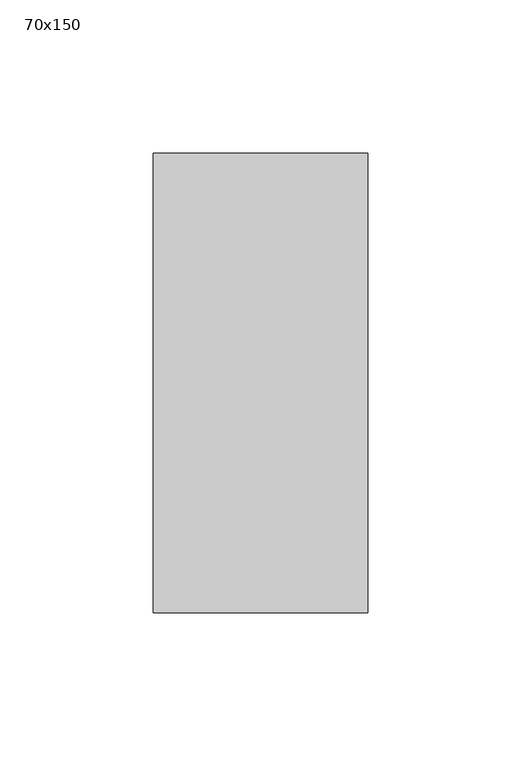
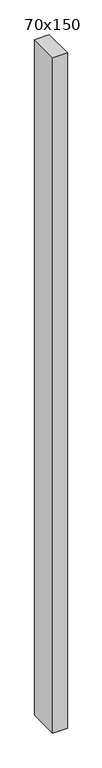
"""IFC4 building model written with IfcOpenShell, lengths in millimetres: member geometry, 70x150."""

import ifcopenshell
import ifcopenshell.guid

model = None  # the IFC model being written
_history = None  # IfcOwnerHistory: only IFC2X3 demands one
_inside = {}  # id of a spatial element -> (the spatial element, [elements in it])
_under = {}  # id of a project, library or spatial element -> (it, [spatial elements below it])
_declared = {}  # id of a project -> (the project, [libraries it declares])
_typed = {}  # id of a type object -> (the type object, [elements of that type])
_made_of = {}  # id of a material, layer set ... -> (it, [elements and type objects made of it])


def new_model(schema):
    """Start an empty IFC model of exactly this schema.

    Asked for "IFC4X3", IfcOpenShell would pick the latest addendum, in which some entities
    have other attributes; the version numbers below select the first issue.
    IFC2X3 requires an IfcOwnerHistory on every rooted entity: one is made here for all.
    """
    global model, _history
    if schema == "IFC4X3":
        model = ifcopenshell.file(schema_version=(4, 3, 0, 0))
    else:
        model = ifcopenshell.file(schema=schema)
    _inside.clear()
    _under.clear()
    _declared.clear()
    _typed.clear()
    _made_of.clear()
    _history = None
    if model.schema == "IFC2X3":
        org = make("IfcOrganization", Name="unknown")
        user = make(
            "IfcPersonAndOrganization",
            ThePerson=make("IfcPerson", FamilyName="unknown"),
            TheOrganization=org,
        )
        app = make(
            "IfcApplication",
            ApplicationDeveloper=org,
            Version="unknown",
            ApplicationFullName="unknown",
            ApplicationIdentifier="unknown",
        )
        _history = make(
            "IfcOwnerHistory",
            OwningUser=user,
            OwningApplication=app,
            ChangeAction="ADDED",
            CreationDate=0,
        )
    return model


def make(cls, **values):
    """One entity of the class cls with the attributes given. An attribute that is None is left unset."""
    return model.create_entity(
        cls, **{name: value for name, value in values.items() if value is not None}
    )


def rooted(cls, **values):
    """An entity with a GlobalId (a new one), such as an element, a storey or a relation."""
    return make(cls, GlobalId=ifcopenshell.guid.new(), OwnerHistory=_history, **values)


def si_unit(unit_type, name, prefix=None):
    """IfcSIUnit, for example si_unit("LENGTHUNIT", "METRE", prefix="MILLI")."""
    return make("IfcSIUnit", UnitType=unit_type, Prefix=prefix, Name=name)


def assignment(units):
    """IfcUnitAssignment: the units of a project."""
    return None if units is None else make("IfcUnitAssignment", Units=units)


def point(xyz):
    """IfcCartesianPoint."""
    return None if xyz is None else make("IfcCartesianPoint", Coordinates=xyz)


def direction(xyz):
    """IfcDirection."""
    return None if xyz is None else make("IfcDirection", DirectionRatios=xyz)


def frame(location, z_axis=None, x_axis=None):
    """IfcAxis2Placement3D, a coordinate frame: its origin and axes. An axis left out is left unset."""
    return make(
        "IfcAxis2Placement3D",
        Location=point(location),
        Axis=direction(z_axis),
        RefDirection=direction(x_axis),
    )


def origin():
    """The frame at (0, 0, 0) with its axes left unset."""
    return frame((0.0, 0.0, 0.0))


def place(relative_to, where):
    """IfcLocalPlacement: puts the frame where relative to a parent placement (None: the world)."""
    return make(
        "IfcLocalPlacement", PlacementRelTo=relative_to, RelativePlacement=where
    )


def context(
    kind, dimensions, precision=None, world=None, true_north=None, identifier=None
):
    """IfcGeometricRepresentationContext, for example the 3D "Model" context."""
    return make(
        "IfcGeometricRepresentationContext",
        ContextIdentifier=identifier,
        ContextType=kind,
        CoordinateSpaceDimension=dimensions,
        Precision=precision,
        WorldCoordinateSystem=world,
        TrueNorth=true_north,
    )


def project(units=None, contexts=None):
    """IfcProject with its units and contexts."""
    return rooted(
        "IfcProject",
        Name="project",
        RepresentationContexts=contexts,
        UnitsInContext=assignment(units),
    )


def spatial(cls, under=None, at=None, **own):
    """A site, building, storey or space (cls), placed at a placement, below another one or the project."""
    s = rooted(cls, ObjectPlacement=at, **own)
    if under is not None:
        _under.setdefault(under.id(), (under, []))[1].append(s)
    return s


def polyline(points):
    """IfcPolyline through the points."""
    return make("IfcPolyline", Points=[point(p) for p in points])


def outline(outer, holes=None, kind="AREA"):
    """IfcArbitraryClosedProfileDef: a profile drawn as a closed curve; with holes, ...WithVoids."""
    if holes is None:
        return make("IfcArbitraryClosedProfileDef", ProfileType=kind, OuterCurve=outer)
    return make(
        "IfcArbitraryProfileDefWithVoids",
        ProfileType=kind,
        OuterCurve=outer,
        InnerCurves=holes,
    )


def extrude(swept, where, along, depth):
    """IfcExtrudedAreaSolid: the profile swept, set in the frame where, extruded along a direction by depth."""
    return make(
        "IfcExtrudedAreaSolid",
        SweptArea=swept,
        Position=where,
        ExtrudedDirection=direction(along),
        Depth=depth,
    )


def shape(context_of_items, identifier, shape_type, items):
    """IfcShapeRepresentation: the items that make up one representation, for example the "Body"."""
    return make(
        "IfcShapeRepresentation",
        ContextOfItems=context_of_items,
        RepresentationIdentifier=identifier,
        RepresentationType=shape_type,
        Items=items,
    )


def source(mapping_origin, context_of_items, identifier, shape_type, items):
    """IfcRepresentationMap: a shape defined once, which mapped items show again and again."""
    return make(
        "IfcRepresentationMap",
        MappingOrigin=mapping_origin,
        MappedRepresentation=shape(context_of_items, identifier, shape_type, items),
    )


def transform(
    local_origin,
    x_axis=None,
    y_axis=None,
    z_axis=None,
    scale=None,
    scale2=None,
    scale3=None,
    uniform=True,
):
    """IfcCartesianTransformationOperator3D, or its non-uniform kind. x_axis, y_axis, z_axis: its Axis1, 2, 3."""
    if uniform:
        return make(
            "IfcCartesianTransformationOperator3D",
            Axis1=direction(x_axis),
            Axis2=direction(y_axis),
            LocalOrigin=point(local_origin),
            Scale=scale,
            Axis3=direction(z_axis),
        )
    return make(
        "IfcCartesianTransformationOperator3DnonUniform",
        Axis1=direction(x_axis),
        Axis2=direction(y_axis),
        LocalOrigin=point(local_origin),
        Scale=scale,
        Axis3=direction(z_axis),
        Scale2=scale2,
        Scale3=scale3,
    )


def mapped(mapping_source, mapping_target):
    """IfcMappedItem: shows the shape of a source again, moved by a transform."""
    return make(
        "IfcMappedItem", MappingSource=mapping_source, MappingTarget=mapping_target
    )


def made_of(thing, what):
    """Note that an element or type object is made of a material, layer set ...; save() writes the relation."""
    if what is not None:
        _made_of.setdefault(what.id(), (what, []))[1].append(thing)
    return thing


def element(
    cls,
    number,
    at=None,
    inside=None,
    cuts=None,
    type_object=None,
    material=None,
    context=None,
    identifier="Body",
    shape_type=None,
    held_by="IfcProductDefinitionShape",
    body=None,
    shapes=None,
    **own,
):
    """One element of the class cls, such as IfcWall. Its Tag is "e" and its number.

    at: its placement. inside: the storey or other place that contains it. cuts: it is an
    opening in that element (IfcRelVoidsElement). A single representation is given by context,
    identifier, shape_type and body (its items); several are given by shapes. held_by: the class
    of the entity that holds the representations. save() writes the other relations.
    """
    e = rooted(cls, Tag="e%d" % number, ObjectPlacement=at, **own)
    if body is not None:
        shapes = [shape(context, identifier, shape_type, body)]
    if shapes is not None:
        e.Representation = make(held_by, Representations=shapes)
    if inside is not None:
        _inside.setdefault(inside.id(), (inside, []))[1].append(e)
    if cuts is not None:
        rooted(
            "IfcRelVoidsElement", RelatingBuildingElement=cuts, RelatedOpeningElement=e
        )
    if type_object is not None:
        _typed.setdefault(type_object.id(), (type_object, []))[1].append(e)
    return made_of(e, material)


def aggregate(whole, parts):
    """IfcRelAggregates: a whole, such as a stair, and the parts it consists of."""
    return rooted("IfcRelAggregates", RelatingObject=whole, RelatedObjects=parts)


def save(model, path):
    """Write the relations noted so far, then the file.

    IfcRelAggregates (storeys below a building ...), IfcRelContainedInSpatialStructure (elements
    in a storey), IfcRelDefinesByType, IfcRelAssociatesMaterial and IfcRelDeclares: one each for
    every whole, place, type object, material and project.
    """
    for whole, parts in _under.values():
        aggregate(whole, parts)
    for where, things in _inside.values():
        rooted(
            "IfcRelContainedInSpatialStructure",
            RelatedElements=things,
            RelatingStructure=where,
        )
    for kind, things in _typed.values():
        rooted("IfcRelDefinesByType", RelatedObjects=things, RelatingType=kind)
    for what, things in _made_of.values():
        rooted("IfcRelAssociatesMaterial", RelatedObjects=things, RelatingMaterial=what)
    for by, libraries in _declared.values():
        rooted("IfcRelDeclares", RelatingContext=by, RelatedDefinitions=libraries)
    model.write(path)


def member_70x150_7418113c(model_context):
    return source(origin(), model_context, "Body", "SweptSolid", [
        extrude(outline(polyline([(35.0, 75.0), (35.0, -75.0), (-35.0, -75.0), (-35.0, 75.0), (35.0, 75.0)])), frame((0.0, 0.0, -3430.0), z_axis=(0.0, 0.0, 1.0), x_axis=(1.0, 0.0, 0.0)), (0.0, 0.0, 1.0), 3430.0),
    ])


if __name__ == "__main__":
    model = new_model("IFC4")
    model_context = context("Model", 3, world=origin())
    ifc_project = project(units=[si_unit("LENGTHUNIT", "METRE", prefix="MILLI")], contexts=[model_context])
    site = spatial("IfcSite", under=ifc_project)
    building = spatial("IfcBuilding", under=site)
    placement = place(None, origin())
    member_70x150_shape = member_70x150_7418113c(model_context)
    element("IfcMember", 1, ObjectType="70x150", at=placement, inside=building, context=model_context, shape_type="MappedRepresentation", body=[
        mapped(member_70x150_shape, transform((0.0, 0.0, 0.0), x_axis=(1.0, 0.0, 0.0), y_axis=(0.0, 1.0, 0.0), z_axis=(0.0, 0.0, 1.0))),
    ])
    save(model, "model.ifc")
